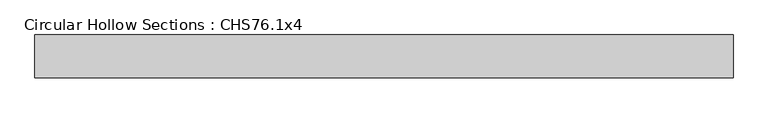
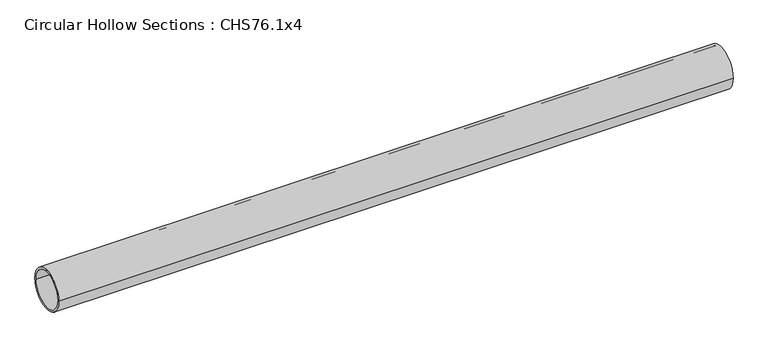
"""IFC4 building model written with IfcOpenShell, lengths in millimetres: beam geometry, Circular Hollow Sections : CHS76.1x4."""

from ifc_helpers import new_model, si_unit, point, frame, origin, origin_2d, place, context, project, spatial, circle_curve, trimmed, segment, composite_curve, outline, extrude, source, transform, mapped, element, save


def circular_hollow_sections_chs76_1x4_85623298(model_context):
    return source(origin(), model_context, "Body", "SweptSolid", [
        extrude(outline(composite_curve([segment(trimmed(circle_curve(origin_2d(), 38.05), [point((-38.05, 0.0))], [point((38.05, 0.0))], False, "CARTESIAN"), True, "CONTINUOUS"), segment(trimmed(circle_curve(origin_2d(), 38.05), [point((38.05, 0.0))], [point((-38.05, 0.0))], False, "CARTESIAN"), True, "CONTINUOUS")], self_intersect=False), holes=[composite_curve([segment(trimmed(circle_curve(origin_2d(), 34.05), [point((34.05, 0.0))], [point((-34.05, 0.0))], True, "CARTESIAN"), True, "CONTINUOUS"), segment(trimmed(circle_curve(origin_2d(), 34.05), [point((-34.05, 0.0))], [point((34.05, 0.0))], True, "CARTESIAN"), True, "CONTINUOUS")], self_intersect=False)]), frame((-620.7, 0.0, 0.0), z_axis=(1.0, 0.0, 0.0), x_axis=(0.0, 1.0, 0.0)), (0.0, 0.0, 1.0), 1241.4),
    ])


if __name__ == "__main__":
    model = new_model("IFC4")
    model_context = context("Model", 3, world=origin())
    ifc_project = project(units=[si_unit("LENGTHUNIT", "METRE", prefix="MILLI")], contexts=[model_context])
    site = spatial("IfcSite", under=ifc_project)
    building = spatial("IfcBuilding", under=site)
    placement = place(None, origin())
    circular_hollow_sections_chs76_1x4_shape = circular_hollow_sections_chs76_1x4_85623298(model_context)
    element("IfcBeam", 1, ObjectType="Circular Hollow Sections : CHS76.1x4", at=placement, inside=building, context=model_context, shape_type="MappedRepresentation", body=[
        mapped(circular_hollow_sections_chs76_1x4_shape, transform((0.0, 0.0, 0.0), x_axis=(1.0, 0.0, 0.0), y_axis=(0.0, 1.0, 0.0), z_axis=(0.0, 0.0, 1.0))),
    ])
    save(model, "model.ifc")
